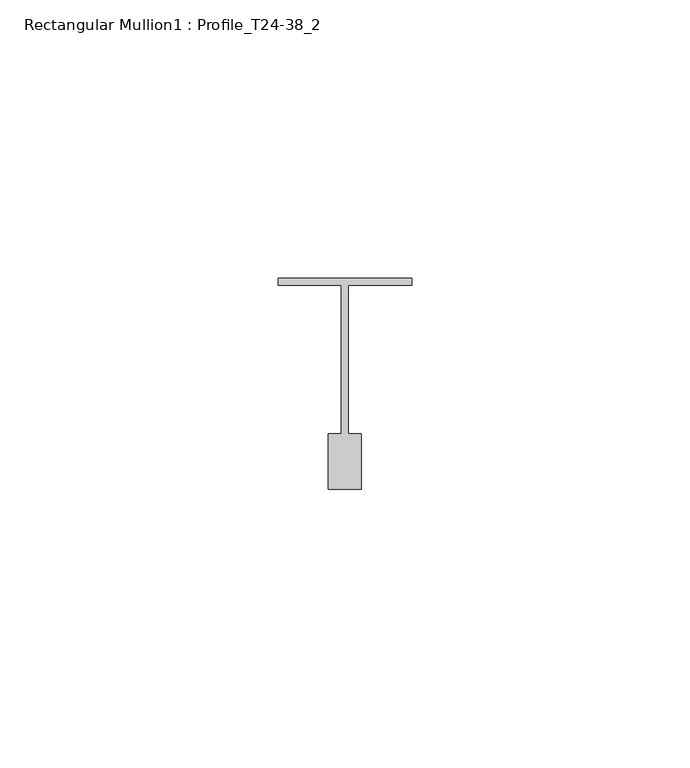
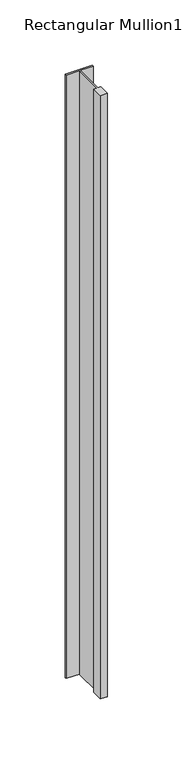
"""IFC4 building model written with IfcOpenShell, lengths in millimetres: member geometry, Rectangular Mullion1 : Profile_T24-38_2."""

from ifc_helpers import new_model, si_unit, frame, origin, place, context, project, spatial, polyline, outline, extrude, source, transform, mapped, element, save


def rectangular_mullion1_profile_t24_38_2_45604d0b(model_context):
    return source(origin(), model_context, "Body", "SweptSolid", [
        extrude(outline(polyline([(-12.0, -0.5), (12.0, -0.5), (12.0, -1.75), (0.6, -1.75), (0.6, -28.5), (3.0, -28.5), (3.0, -38.5), (-3.0, -38.5), (-3.0, -28.5), (-0.6, -28.5), (-0.6, -1.75), (-12.0, -1.75), (-12.0, -0.5)])), frame((0.0, 0.0, -564.0000003), z_axis=(0.0, 0.0, 1.0), x_axis=(1.0, 0.0, 0.0)), (0.0, 0.0, 1.0), 564.0000003),
    ])


if __name__ == "__main__":
    model = new_model("IFC4")
    model_context = context("Model", 3, world=origin())
    ifc_project = project(units=[si_unit("LENGTHUNIT", "METRE", prefix="MILLI")], contexts=[model_context])
    site = spatial("IfcSite", under=ifc_project)
    building = spatial("IfcBuilding", under=site)
    placement = place(None, origin())
    rectangular_mullion1_profile_t24_38_2_shape = rectangular_mullion1_profile_t24_38_2_45604d0b(model_context)
    element("IfcMember", 1, ObjectType="Rectangular Mullion1 : Profile_T24-38_2", at=placement, inside=building, context=model_context, shape_type="MappedRepresentation", body=[
        mapped(rectangular_mullion1_profile_t24_38_2_shape, transform((0.0, 0.0, 0.0), x_axis=(1.0, 0.0, 0.0), y_axis=(0.0, 1.0, 0.0), z_axis=(0.0, 0.0, 1.0))),
    ])
    save(model, "model.ifc")
